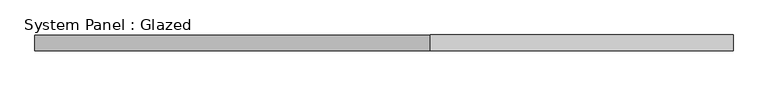
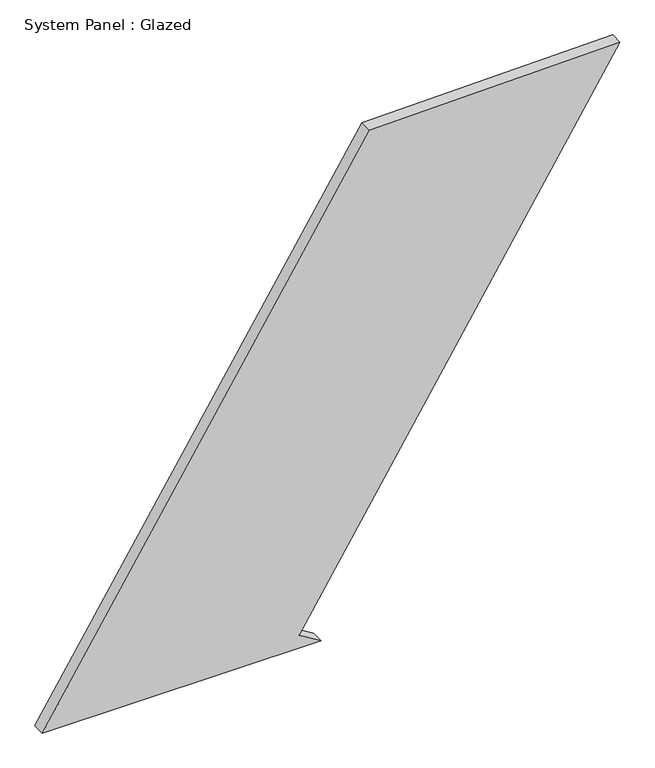
"""IFC4 building model written with IfcOpenShell, lengths in millimetres: plate geometry, System Panel : Glazed."""

from ifc_helpers import new_model, si_unit, frame, origin, place, context, project, spatial, polyline, outline, extrude, source, transform, mapped, element, save


def system_panel_glazed_c6b2f822(model_context):
    return source(origin(), model_context, "Body", "SweptSolid", [
        extrude(outline(polyline([(0.0, -557.0229902), (0.0, -20.0608913), (26.5077967, -62.4558995), (1017.2658304, 557.0229902), (1006.9563188, 74.1089146), (0.0, -557.0229902)])), frame((0.0, -49.5, 0.0), z_axis=(0.0, 1.0, 0.0), x_axis=(0.0, 0.0, 1.0)), (0.0, 0.0, 1.0), 25.0),
    ])


if __name__ == "__main__":
    model = new_model("IFC4")
    model_context = context("Model", 3, world=origin())
    ifc_project = project(units=[si_unit("LENGTHUNIT", "METRE", prefix="MILLI")], contexts=[model_context])
    site = spatial("IfcSite", under=ifc_project)
    building = spatial("IfcBuilding", under=site)
    placement = place(None, origin())
    system_panel_glazed_shape = system_panel_glazed_c6b2f822(model_context)
    element("IfcPlate", 1, ObjectType="System Panel : Glazed", at=placement, inside=building, context=model_context, shape_type="MappedRepresentation", body=[
        mapped(system_panel_glazed_shape, transform((0.0, 0.0, 0.0), x_axis=(1.0, 0.0, 0.0), y_axis=(0.0, 1.0, 0.0), z_axis=(0.0, 0.0, 1.0))),
    ])
    save(model, "model.ifc")
